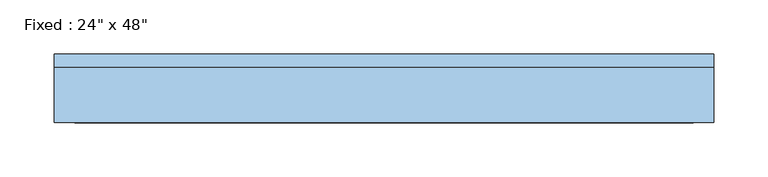
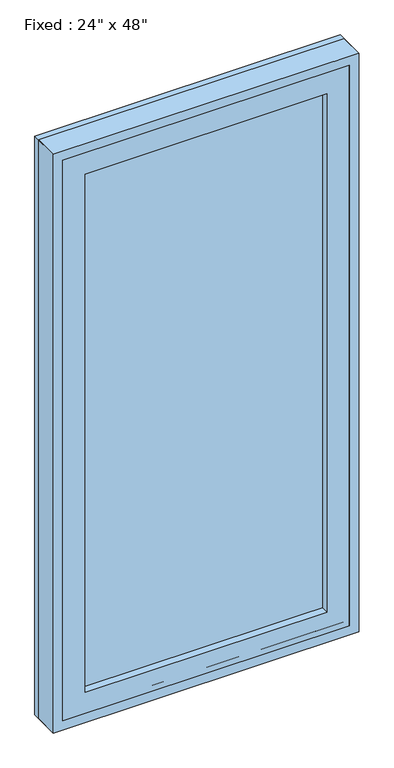
"""IFC4 building model written with IfcOpenShell, lengths in millimetres: window geometry."""

import ifcopenshell
import ifcopenshell.guid

model = None  # the IFC model being written
_history = None  # IfcOwnerHistory: only IFC2X3 demands one
_inside = {}  # id of a spatial element -> (the spatial element, [elements in it])
_under = {}  # id of a project, library or spatial element -> (it, [spatial elements below it])
_declared = {}  # id of a project -> (the project, [libraries it declares])
_typed = {}  # id of a type object -> (the type object, [elements of that type])
_made_of = {}  # id of a material, layer set ... -> (it, [elements and type objects made of it])


def new_model(schema):
    """Start an empty IFC model of exactly this schema.

    Asked for "IFC4X3", IfcOpenShell would pick the latest addendum, in which some entities
    have other attributes; the version numbers below select the first issue.
    IFC2X3 requires an IfcOwnerHistory on every rooted entity: one is made here for all.
    """
    global model, _history
    if schema == "IFC4X3":
        model = ifcopenshell.file(schema_version=(4, 3, 0, 0))
    else:
        model = ifcopenshell.file(schema=schema)
    _inside.clear()
    _under.clear()
    _declared.clear()
    _typed.clear()
    _made_of.clear()
    _history = None
    if model.schema == "IFC2X3":
        org = make("IfcOrganization", Name="unknown")
        user = make(
            "IfcPersonAndOrganization",
            ThePerson=make("IfcPerson", FamilyName="unknown"),
            TheOrganization=org,
        )
        app = make(
            "IfcApplication",
            ApplicationDeveloper=org,
            Version="unknown",
            ApplicationFullName="unknown",
            ApplicationIdentifier="unknown",
        )
        _history = make(
            "IfcOwnerHistory",
            OwningUser=user,
            OwningApplication=app,
            ChangeAction="ADDED",
            CreationDate=0,
        )
    return model


def make(cls, **values):
    """One entity of the class cls with the attributes given. An attribute that is None is left unset."""
    return model.create_entity(
        cls, **{name: value for name, value in values.items() if value is not None}
    )


def rooted(cls, **values):
    """An entity with a GlobalId (a new one), such as an element, a storey or a relation."""
    return make(cls, GlobalId=ifcopenshell.guid.new(), OwnerHistory=_history, **values)


def si_unit(unit_type, name, prefix=None):
    """IfcSIUnit, for example si_unit("LENGTHUNIT", "METRE", prefix="MILLI")."""
    return make("IfcSIUnit", UnitType=unit_type, Prefix=prefix, Name=name)


def assignment(units):
    """IfcUnitAssignment: the units of a project."""
    return None if units is None else make("IfcUnitAssignment", Units=units)


def point(xyz):
    """IfcCartesianPoint."""
    return None if xyz is None else make("IfcCartesianPoint", Coordinates=xyz)


def direction(xyz):
    """IfcDirection."""
    return None if xyz is None else make("IfcDirection", DirectionRatios=xyz)


def frame(location, z_axis=None, x_axis=None):
    """IfcAxis2Placement3D, a coordinate frame: its origin and axes. An axis left out is left unset."""
    return make(
        "IfcAxis2Placement3D",
        Location=point(location),
        Axis=direction(z_axis),
        RefDirection=direction(x_axis),
    )


def origin():
    """The frame at (0, 0, 0) with its axes left unset."""
    return frame((0.0, 0.0, 0.0))


def place(relative_to, where):
    """IfcLocalPlacement: puts the frame where relative to a parent placement (None: the world)."""
    return make(
        "IfcLocalPlacement", PlacementRelTo=relative_to, RelativePlacement=where
    )


def context(
    kind, dimensions, precision=None, world=None, true_north=None, identifier=None
):
    """IfcGeometricRepresentationContext, for example the 3D "Model" context."""
    return make(
        "IfcGeometricRepresentationContext",
        ContextIdentifier=identifier,
        ContextType=kind,
        CoordinateSpaceDimension=dimensions,
        Precision=precision,
        WorldCoordinateSystem=world,
        TrueNorth=true_north,
    )


def project(units=None, contexts=None):
    """IfcProject with its units and contexts."""
    return rooted(
        "IfcProject",
        Name="project",
        RepresentationContexts=contexts,
        UnitsInContext=assignment(units),
    )


def spatial(cls, under=None, at=None, **own):
    """A site, building, storey or space (cls), placed at a placement, below another one or the project."""
    s = rooted(cls, ObjectPlacement=at, **own)
    if under is not None:
        _under.setdefault(under.id(), (under, []))[1].append(s)
    return s


def polyline(points):
    """IfcPolyline through the points."""
    return make("IfcPolyline", Points=[point(p) for p in points])


def outline(outer, holes=None, kind="AREA"):
    """IfcArbitraryClosedProfileDef: a profile drawn as a closed curve; with holes, ...WithVoids."""
    if holes is None:
        return make("IfcArbitraryClosedProfileDef", ProfileType=kind, OuterCurve=outer)
    return make(
        "IfcArbitraryProfileDefWithVoids",
        ProfileType=kind,
        OuterCurve=outer,
        InnerCurves=holes,
    )


def extrude(swept, where, along, depth):
    """IfcExtrudedAreaSolid: the profile swept, set in the frame where, extruded along a direction by depth."""
    return make(
        "IfcExtrudedAreaSolid",
        SweptArea=swept,
        Position=where,
        ExtrudedDirection=direction(along),
        Depth=depth,
    )


def shape(context_of_items, identifier, shape_type, items):
    """IfcShapeRepresentation: the items that make up one representation, for example the "Body"."""
    return make(
        "IfcShapeRepresentation",
        ContextOfItems=context_of_items,
        RepresentationIdentifier=identifier,
        RepresentationType=shape_type,
        Items=items,
    )


def source(mapping_origin, context_of_items, identifier, shape_type, items):
    """IfcRepresentationMap: a shape defined once, which mapped items show again and again."""
    return make(
        "IfcRepresentationMap",
        MappingOrigin=mapping_origin,
        MappedRepresentation=shape(context_of_items, identifier, shape_type, items),
    )


def transform(
    local_origin,
    x_axis=None,
    y_axis=None,
    z_axis=None,
    scale=None,
    scale2=None,
    scale3=None,
    uniform=True,
):
    """IfcCartesianTransformationOperator3D, or its non-uniform kind. x_axis, y_axis, z_axis: its Axis1, 2, 3."""
    if uniform:
        return make(
            "IfcCartesianTransformationOperator3D",
            Axis1=direction(x_axis),
            Axis2=direction(y_axis),
            LocalOrigin=point(local_origin),
            Scale=scale,
            Axis3=direction(z_axis),
        )
    return make(
        "IfcCartesianTransformationOperator3DnonUniform",
        Axis1=direction(x_axis),
        Axis2=direction(y_axis),
        LocalOrigin=point(local_origin),
        Scale=scale,
        Axis3=direction(z_axis),
        Scale2=scale2,
        Scale3=scale3,
    )


def mapped(mapping_source, mapping_target):
    """IfcMappedItem: shows the shape of a source again, moved by a transform."""
    return make(
        "IfcMappedItem", MappingSource=mapping_source, MappingTarget=mapping_target
    )


def made_of(thing, what):
    """Note that an element or type object is made of a material, layer set ...; save() writes the relation."""
    if what is not None:
        _made_of.setdefault(what.id(), (what, []))[1].append(thing)
    return thing


def element(
    cls,
    number,
    at=None,
    inside=None,
    cuts=None,
    type_object=None,
    material=None,
    context=None,
    identifier="Body",
    shape_type=None,
    held_by="IfcProductDefinitionShape",
    body=None,
    shapes=None,
    **own,
):
    """One element of the class cls, such as IfcWall. Its Tag is "e" and its number.

    at: its placement. inside: the storey or other place that contains it. cuts: it is an
    opening in that element (IfcRelVoidsElement). A single representation is given by context,
    identifier, shape_type and body (its items); several are given by shapes. held_by: the class
    of the entity that holds the representations. save() writes the other relations.
    """
    e = rooted(cls, Tag="e%d" % number, ObjectPlacement=at, **own)
    if body is not None:
        shapes = [shape(context, identifier, shape_type, body)]
    if shapes is not None:
        e.Representation = make(held_by, Representations=shapes)
    if inside is not None:
        _inside.setdefault(inside.id(), (inside, []))[1].append(e)
    if cuts is not None:
        rooted(
            "IfcRelVoidsElement", RelatingBuildingElement=cuts, RelatedOpeningElement=e
        )
    if type_object is not None:
        _typed.setdefault(type_object.id(), (type_object, []))[1].append(e)
    return made_of(e, material)


def aggregate(whole, parts):
    """IfcRelAggregates: a whole, such as a stair, and the parts it consists of."""
    return rooted("IfcRelAggregates", RelatingObject=whole, RelatedObjects=parts)


def save(model, path):
    """Write the relations noted so far, then the file.

    IfcRelAggregates (storeys below a building ...), IfcRelContainedInSpatialStructure (elements
    in a storey), IfcRelDefinesByType, IfcRelAssociatesMaterial and IfcRelDeclares: one each for
    every whole, place, type object, material and project.
    """
    for whole, parts in _under.values():
        aggregate(whole, parts)
    for where, things in _inside.values():
        rooted(
            "IfcRelContainedInSpatialStructure",
            RelatedElements=things,
            RelatingStructure=where,
        )
    for kind, things in _typed.values():
        rooted("IfcRelDefinesByType", RelatedObjects=things, RelatingType=kind)
    for what, things in _made_of.values():
        rooted("IfcRelAssociatesMaterial", RelatedObjects=things, RelatingMaterial=what)
    for by, libraries in _declared.values():
        rooted("IfcRelDeclares", RelatingContext=by, RelatedDefinitions=libraries)
    model.write(path)


def window_2122256a(model_context):
    return source(origin(), model_context, "Body", "SweptSolid", [
        extrude(outline(polyline([(203.2, -41.275), (-279.4, -41.275), (-279.4, -28.575), (203.2, -28.575), (203.2, -41.275)])), frame((0.0, 0.0, 977.9), z_axis=(0.0, 0.0, 1.0), x_axis=(1.0, 0.0, 0.0)), (0.0, 0.0, 1.0), 1092.2),
        extrude(outline(polyline([(2114.55, -323.85), (933.45, -323.85), (933.45, 247.65), (2114.55, 247.65), (2114.55, -323.85)]), holes=[polyline([(2070.1, -279.4), (2070.1, 203.2), (977.9, 203.2), (977.9, -279.4), (2070.1, -279.4)])]), frame((0.0, -57.15, 0.0), z_axis=(0.0, 1.0, 0.0), x_axis=(0.0, 0.0, 1.0)), (0.0, 0.0, 1.0), 44.45),
        extrude(outline(polyline([(2133.6, -342.9), (914.4, -342.9), (914.4, 266.7), (2133.6, 266.7), (2133.6, -342.9)]), holes=[polyline([(2101.85, -311.15), (2101.85, 234.95), (946.15, 234.95), (946.15, -311.15), (2101.85, -311.15)])]), frame((0.0, -57.15, 0.0), z_axis=(0.0, 1.0, 0.0), x_axis=(0.0, 0.0, 1.0)), (0.0, 0.0, 1.0), 50.8),
        extrude(outline(polyline([(2133.6, 266.7), (2133.6, -342.9), (914.4, -342.9), (914.4, 266.7), (2133.6, 266.7)]), holes=[polyline([(2114.55, 247.65), (933.45, 247.65), (933.45, -323.85), (2114.55, -323.85), (2114.55, 247.65)])]), frame((0.0, -57.15, 0.0), z_axis=(0.0, 1.0, 0.0), x_axis=(0.0, 0.0, 1.0)), (0.0, 0.0, 1.0), 63.5),
    ])


if __name__ == "__main__":
    model = new_model("IFC4")
    model_context = context("Model", 3, world=origin())
    ifc_project = project(units=[si_unit("LENGTHUNIT", "METRE", prefix="MILLI")], contexts=[model_context])
    site = spatial("IfcSite", under=ifc_project)
    building = spatial("IfcBuilding", under=site)
    placement = place(None, origin())
    window_shape = window_2122256a(model_context)
    element("IfcWindow", 1, ObjectType="Fixed : 24\" x 48\"", at=placement, inside=building, context=model_context, shape_type="MappedRepresentation", body=[
        mapped(window_shape, transform((0.0, 0.0, 0.0), x_axis=(1.0, 0.0, 0.0), y_axis=(0.0, 1.0, 0.0), z_axis=(0.0, 0.0, 1.0))),
    ])
    save(model, "model.ifc")
